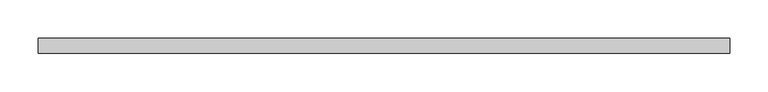
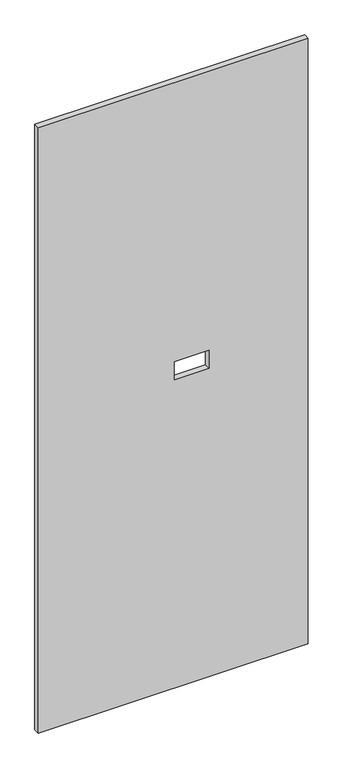
"""IFC4 building model written with IfcOpenShell, lengths in millimetres: proxy geometry."""

import ifcopenshell
import ifcopenshell.guid

model = None  # the IFC model being written
_history = None  # IfcOwnerHistory: only IFC2X3 demands one
_inside = {}  # id of a spatial element -> (the spatial element, [elements in it])
_under = {}  # id of a project, library or spatial element -> (it, [spatial elements below it])
_declared = {}  # id of a project -> (the project, [libraries it declares])
_typed = {}  # id of a type object -> (the type object, [elements of that type])
_made_of = {}  # id of a material, layer set ... -> (it, [elements and type objects made of it])


def new_model(schema):
    """Start an empty IFC model of exactly this schema.

    Asked for "IFC4X3", IfcOpenShell would pick the latest addendum, in which some entities
    have other attributes; the version numbers below select the first issue.
    IFC2X3 requires an IfcOwnerHistory on every rooted entity: one is made here for all.
    """
    global model, _history
    if schema == "IFC4X3":
        model = ifcopenshell.file(schema_version=(4, 3, 0, 0))
    else:
        model = ifcopenshell.file(schema=schema)
    _inside.clear()
    _under.clear()
    _declared.clear()
    _typed.clear()
    _made_of.clear()
    _history = None
    if model.schema == "IFC2X3":
        org = make("IfcOrganization", Name="unknown")
        user = make(
            "IfcPersonAndOrganization",
            ThePerson=make("IfcPerson", FamilyName="unknown"),
            TheOrganization=org,
        )
        app = make(
            "IfcApplication",
            ApplicationDeveloper=org,
            Version="unknown",
            ApplicationFullName="unknown",
            ApplicationIdentifier="unknown",
        )
        _history = make(
            "IfcOwnerHistory",
            OwningUser=user,
            OwningApplication=app,
            ChangeAction="ADDED",
            CreationDate=0,
        )
    return model


def make(cls, **values):
    """One entity of the class cls with the attributes given. An attribute that is None is left unset."""
    return model.create_entity(
        cls, **{name: value for name, value in values.items() if value is not None}
    )


def rooted(cls, **values):
    """An entity with a GlobalId (a new one), such as an element, a storey or a relation."""
    return make(cls, GlobalId=ifcopenshell.guid.new(), OwnerHistory=_history, **values)


def si_unit(unit_type, name, prefix=None):
    """IfcSIUnit, for example si_unit("LENGTHUNIT", "METRE", prefix="MILLI")."""
    return make("IfcSIUnit", UnitType=unit_type, Prefix=prefix, Name=name)


def assignment(units):
    """IfcUnitAssignment: the units of a project."""
    return None if units is None else make("IfcUnitAssignment", Units=units)


def point(xyz):
    """IfcCartesianPoint."""
    return None if xyz is None else make("IfcCartesianPoint", Coordinates=xyz)


def direction(xyz):
    """IfcDirection."""
    return None if xyz is None else make("IfcDirection", DirectionRatios=xyz)


def frame(location, z_axis=None, x_axis=None):
    """IfcAxis2Placement3D, a coordinate frame: its origin and axes. An axis left out is left unset."""
    return make(
        "IfcAxis2Placement3D",
        Location=point(location),
        Axis=direction(z_axis),
        RefDirection=direction(x_axis),
    )


def origin():
    """The frame at (0, 0, 0) with its axes left unset."""
    return frame((0.0, 0.0, 0.0))


def place(relative_to, where):
    """IfcLocalPlacement: puts the frame where relative to a parent placement (None: the world)."""
    return make(
        "IfcLocalPlacement", PlacementRelTo=relative_to, RelativePlacement=where
    )


def context(
    kind, dimensions, precision=None, world=None, true_north=None, identifier=None
):
    """IfcGeometricRepresentationContext, for example the 3D "Model" context."""
    return make(
        "IfcGeometricRepresentationContext",
        ContextIdentifier=identifier,
        ContextType=kind,
        CoordinateSpaceDimension=dimensions,
        Precision=precision,
        WorldCoordinateSystem=world,
        TrueNorth=true_north,
    )


def project(units=None, contexts=None):
    """IfcProject with its units and contexts."""
    return rooted(
        "IfcProject",
        Name="project",
        RepresentationContexts=contexts,
        UnitsInContext=assignment(units),
    )


def spatial(cls, under=None, at=None, **own):
    """A site, building, storey or space (cls), placed at a placement, below another one or the project."""
    s = rooted(cls, ObjectPlacement=at, **own)
    if under is not None:
        _under.setdefault(under.id(), (under, []))[1].append(s)
    return s


def polyline(points):
    """IfcPolyline through the points."""
    return make("IfcPolyline", Points=[point(p) for p in points])


def outline(outer, holes=None, kind="AREA"):
    """IfcArbitraryClosedProfileDef: a profile drawn as a closed curve; with holes, ...WithVoids."""
    if holes is None:
        return make("IfcArbitraryClosedProfileDef", ProfileType=kind, OuterCurve=outer)
    return make(
        "IfcArbitraryProfileDefWithVoids",
        ProfileType=kind,
        OuterCurve=outer,
        InnerCurves=holes,
    )


def extrude(swept, where, along, depth):
    """IfcExtrudedAreaSolid: the profile swept, set in the frame where, extruded along a direction by depth."""
    return make(
        "IfcExtrudedAreaSolid",
        SweptArea=swept,
        Position=where,
        ExtrudedDirection=direction(along),
        Depth=depth,
    )


def shape(context_of_items, identifier, shape_type, items):
    """IfcShapeRepresentation: the items that make up one representation, for example the "Body"."""
    return make(
        "IfcShapeRepresentation",
        ContextOfItems=context_of_items,
        RepresentationIdentifier=identifier,
        RepresentationType=shape_type,
        Items=items,
    )


def source(mapping_origin, context_of_items, identifier, shape_type, items):
    """IfcRepresentationMap: a shape defined once, which mapped items show again and again."""
    return make(
        "IfcRepresentationMap",
        MappingOrigin=mapping_origin,
        MappedRepresentation=shape(context_of_items, identifier, shape_type, items),
    )


def transform(
    local_origin,
    x_axis=None,
    y_axis=None,
    z_axis=None,
    scale=None,
    scale2=None,
    scale3=None,
    uniform=True,
):
    """IfcCartesianTransformationOperator3D, or its non-uniform kind. x_axis, y_axis, z_axis: its Axis1, 2, 3."""
    if uniform:
        return make(
            "IfcCartesianTransformationOperator3D",
            Axis1=direction(x_axis),
            Axis2=direction(y_axis),
            LocalOrigin=point(local_origin),
            Scale=scale,
            Axis3=direction(z_axis),
        )
    return make(
        "IfcCartesianTransformationOperator3DnonUniform",
        Axis1=direction(x_axis),
        Axis2=direction(y_axis),
        LocalOrigin=point(local_origin),
        Scale=scale,
        Axis3=direction(z_axis),
        Scale2=scale2,
        Scale3=scale3,
    )


def mapped(mapping_source, mapping_target):
    """IfcMappedItem: shows the shape of a source again, moved by a transform."""
    return make(
        "IfcMappedItem", MappingSource=mapping_source, MappingTarget=mapping_target
    )


def made_of(thing, what):
    """Note that an element or type object is made of a material, layer set ...; save() writes the relation."""
    if what is not None:
        _made_of.setdefault(what.id(), (what, []))[1].append(thing)
    return thing


def element(
    cls,
    number,
    at=None,
    inside=None,
    cuts=None,
    type_object=None,
    material=None,
    context=None,
    identifier="Body",
    shape_type=None,
    held_by="IfcProductDefinitionShape",
    body=None,
    shapes=None,
    **own,
):
    """One element of the class cls, such as IfcWall. Its Tag is "e" and its number.

    at: its placement. inside: the storey or other place that contains it. cuts: it is an
    opening in that element (IfcRelVoidsElement). A single representation is given by context,
    identifier, shape_type and body (its items); several are given by shapes. held_by: the class
    of the entity that holds the representations. save() writes the other relations.
    """
    e = rooted(cls, Tag="e%d" % number, ObjectPlacement=at, **own)
    if body is not None:
        shapes = [shape(context, identifier, shape_type, body)]
    if shapes is not None:
        e.Representation = make(held_by, Representations=shapes)
    if inside is not None:
        _inside.setdefault(inside.id(), (inside, []))[1].append(e)
    if cuts is not None:
        rooted(
            "IfcRelVoidsElement", RelatingBuildingElement=cuts, RelatedOpeningElement=e
        )
    if type_object is not None:
        _typed.setdefault(type_object.id(), (type_object, []))[1].append(e)
    return made_of(e, material)


def aggregate(whole, parts):
    """IfcRelAggregates: a whole, such as a stair, and the parts it consists of."""
    return rooted("IfcRelAggregates", RelatingObject=whole, RelatedObjects=parts)


def save(model, path):
    """Write the relations noted so far, then the file.

    IfcRelAggregates (storeys below a building ...), IfcRelContainedInSpatialStructure (elements
    in a storey), IfcRelDefinesByType, IfcRelAssociatesMaterial and IfcRelDeclares: one each for
    every whole, place, type object, material and project.
    """
    for whole, parts in _under.values():
        aggregate(whole, parts)
    for where, things in _inside.values():
        rooted(
            "IfcRelContainedInSpatialStructure",
            RelatedElements=things,
            RelatingStructure=where,
        )
    for kind, things in _typed.values():
        rooted("IfcRelDefinesByType", RelatedObjects=things, RelatingType=kind)
    for what, things in _made_of.values():
        rooted("IfcRelAssociatesMaterial", RelatedObjects=things, RelatingMaterial=what)
    for by, libraries in _declared.values():
        rooted("IfcRelDeclares", RelatingContext=by, RelatedDefinitions=libraries)
    model.write(path)


def specialty_equipment_f73a656b(model_context):
    return source(origin(), model_context, "Body", "SweptSolid", [
        extrude(outline(polyline([(2130.425, -448.9704), (3.175, -448.9704), (3.175, 448.9704), (2130.425, 448.9704), (2130.425, -448.9704)]), holes=[polyline([(1086.485, 118.872), (1086.485, 4.064), (1148.715, 4.064), (1148.715, 118.872), (1086.485, 118.872)])]), frame((0.0, -9.525, 0.0), z_axis=(0.0, 1.0, 0.0), x_axis=(0.0, 0.0, 1.0)), (0.0, 0.0, 1.0), 19.05),
    ])


if __name__ == "__main__":
    model = new_model("IFC4")
    model_context = context("Model", 3, world=origin())
    ifc_project = project(units=[si_unit("LENGTHUNIT", "METRE", prefix="MILLI")], contexts=[model_context])
    site = spatial("IfcSite", under=ifc_project)
    building = spatial("IfcBuilding", under=site)
    placement = place(None, origin())
    specialty_equipment_shape = specialty_equipment_f73a656b(model_context)
    element("IfcBuildingElementProxy", 1, Name="Specialty Equipment", at=placement, inside=building, context=model_context, shape_type="MappedRepresentation", body=[
        mapped(specialty_equipment_shape, transform((0.0, 0.0, 0.0), x_axis=(1.0, 0.0, 0.0), y_axis=(0.0, 1.0, 0.0), z_axis=(0.0, 0.0, 1.0))),
    ])
    save(model, "model.ifc")
